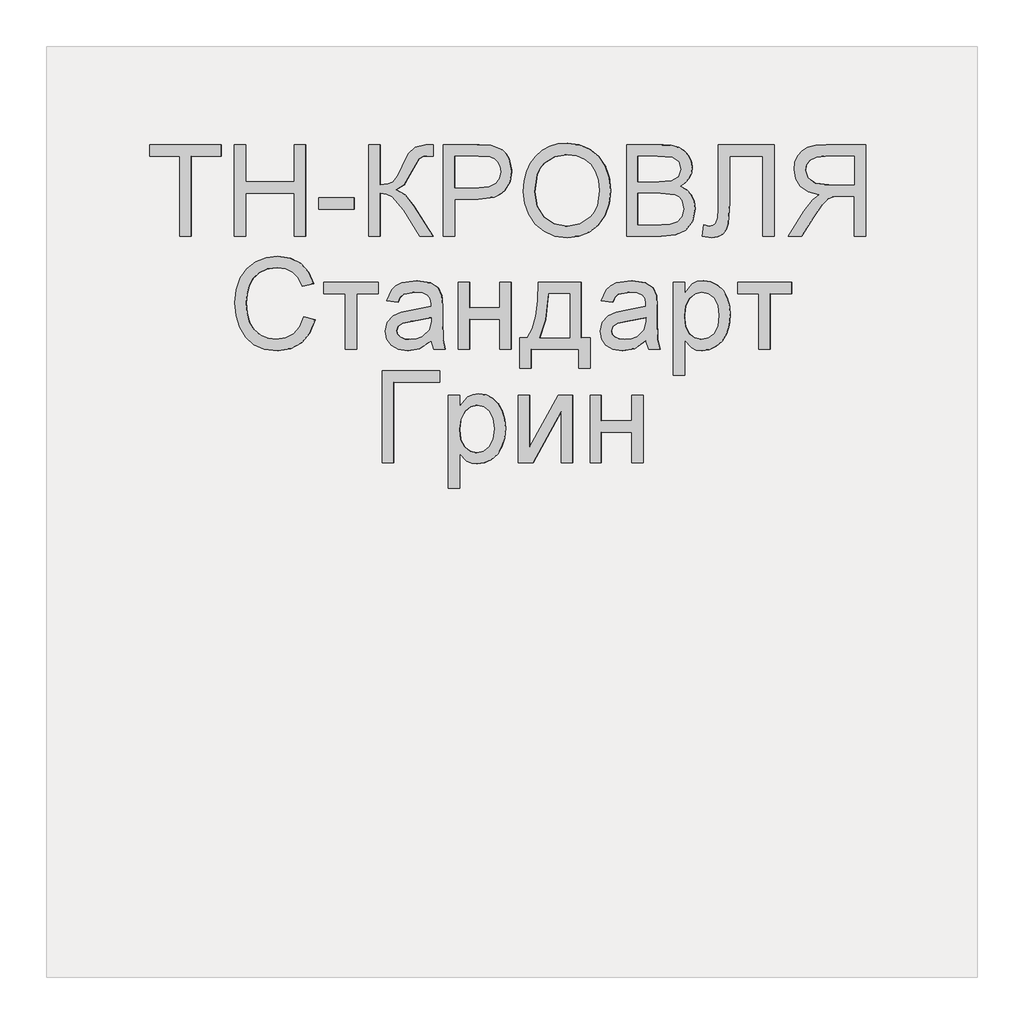
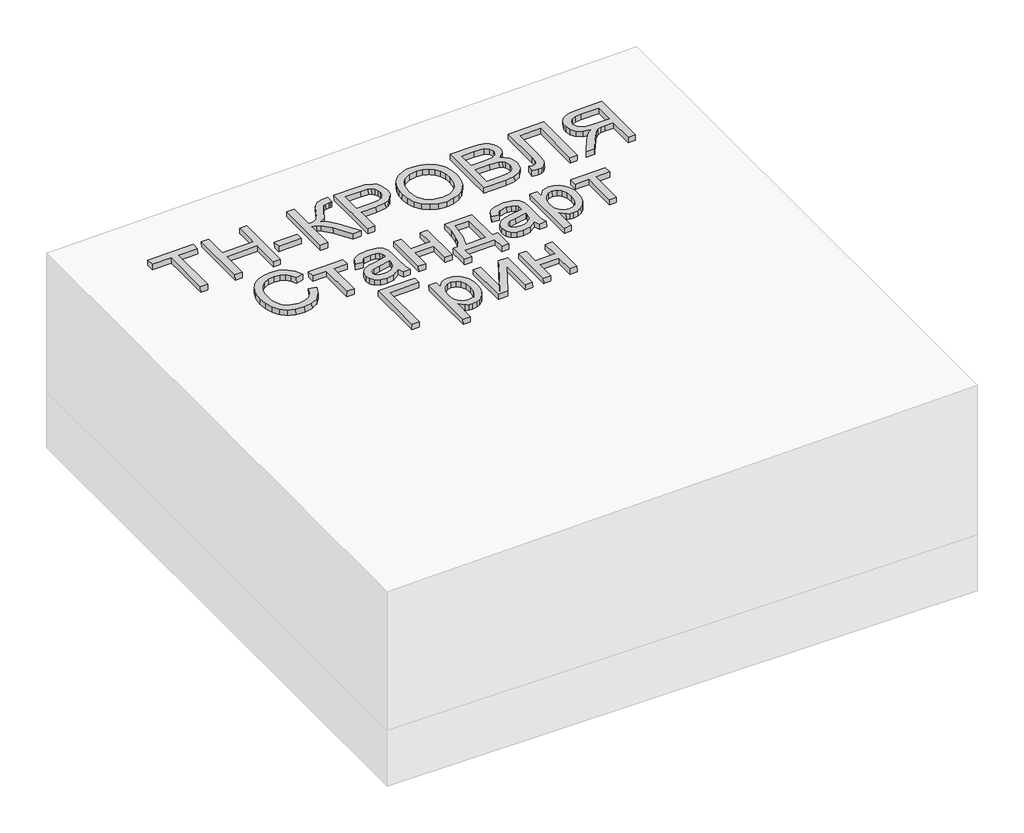
# One storey, part 3 of 3: 1 proxy.
"""IFC4 building model written with IfcOpenShell, lengths in millimetres."""

import ifcopenshell
import ifcopenshell.guid

model = None  # the IFC model being written
_history = None  # IfcOwnerHistory: only IFC2X3 demands one
_inside = {}  # id of a spatial element -> (the spatial element, [elements in it])
_under = {}  # id of a project, library or spatial element -> (it, [spatial elements below it])
_declared = {}  # id of a project -> (the project, [libraries it declares])
_typed = {}  # id of a type object -> (the type object, [elements of that type])
_made_of = {}  # id of a material, layer set ... -> (it, [elements and type objects made of it])


def new_model(schema):
    """Start an empty IFC model of exactly this schema.

    Asked for "IFC4X3", IfcOpenShell would pick the latest addendum, in which some entities
    have other attributes; the version numbers below select the first issue.
    IFC2X3 requires an IfcOwnerHistory on every rooted entity: one is made here for all.
    """
    global model, _history
    if schema == "IFC4X3":
        model = ifcopenshell.file(schema_version=(4, 3, 0, 0))
    else:
        model = ifcopenshell.file(schema=schema)
    _inside.clear()
    _under.clear()
    _declared.clear()
    _typed.clear()
    _made_of.clear()
    _history = None
    if model.schema == "IFC2X3":
        org = make("IfcOrganization", Name="unknown")
        user = make(
            "IfcPersonAndOrganization",
            ThePerson=make("IfcPerson", FamilyName="unknown"),
            TheOrganization=org,
        )
        app = make(
            "IfcApplication",
            ApplicationDeveloper=org,
            Version="unknown",
            ApplicationFullName="unknown",
            ApplicationIdentifier="unknown",
        )
        _history = make(
            "IfcOwnerHistory",
            OwningUser=user,
            OwningApplication=app,
            ChangeAction="ADDED",
            CreationDate=0,
        )
    return model


def make(cls, **values):
    """One entity of the class cls with the attributes given. An attribute that is None is left unset."""
    return model.create_entity(
        cls, **{name: value for name, value in values.items() if value is not None}
    )


def rooted(cls, **values):
    """An entity with a GlobalId (a new one), such as an element, a storey or a relation."""
    return make(cls, GlobalId=ifcopenshell.guid.new(), OwnerHistory=_history, **values)


def si_unit(unit_type, name, prefix=None):
    """IfcSIUnit, for example si_unit("LENGTHUNIT", "METRE", prefix="MILLI")."""
    return make("IfcSIUnit", UnitType=unit_type, Prefix=prefix, Name=name)


def assignment(units):
    """IfcUnitAssignment: the units of a project."""
    return None if units is None else make("IfcUnitAssignment", Units=units)


def point(xyz):
    """IfcCartesianPoint."""
    return None if xyz is None else make("IfcCartesianPoint", Coordinates=xyz)


def direction(xyz):
    """IfcDirection."""
    return None if xyz is None else make("IfcDirection", DirectionRatios=xyz)


def frame(location, z_axis=None, x_axis=None):
    """IfcAxis2Placement3D, a coordinate frame: its origin and axes. An axis left out is left unset."""
    return make(
        "IfcAxis2Placement3D",
        Location=point(location),
        Axis=direction(z_axis),
        RefDirection=direction(x_axis),
    )


def origin():
    """The frame at (0, 0, 0) with its axes left unset."""
    return frame((0.0, 0.0, 0.0))


def place(relative_to, where):
    """IfcLocalPlacement: puts the frame where relative to a parent placement (None: the world)."""
    return make(
        "IfcLocalPlacement", PlacementRelTo=relative_to, RelativePlacement=where
    )


def context(
    kind, dimensions, precision=None, world=None, true_north=None, identifier=None
):
    """IfcGeometricRepresentationContext, for example the 3D "Model" context."""
    return make(
        "IfcGeometricRepresentationContext",
        ContextIdentifier=identifier,
        ContextType=kind,
        CoordinateSpaceDimension=dimensions,
        Precision=precision,
        WorldCoordinateSystem=world,
        TrueNorth=true_north,
    )


def project(units=None, contexts=None):
    """IfcProject with its units and contexts."""
    return rooted(
        "IfcProject",
        Name="project",
        RepresentationContexts=contexts,
        UnitsInContext=assignment(units),
    )


def spatial(cls, under=None, at=None, **own):
    """A site, building, storey or space (cls), placed at a placement, below another one or the project."""
    s = rooted(cls, ObjectPlacement=at, **own)
    if under is not None:
        _under.setdefault(under.id(), (under, []))[1].append(s)
    return s


def polyline(points):
    """IfcPolyline through the points."""
    return make("IfcPolyline", Points=[point(p) for p in points])


def outline(outer, holes=None, kind="AREA"):
    """IfcArbitraryClosedProfileDef: a profile drawn as a closed curve; with holes, ...WithVoids."""
    if holes is None:
        return make("IfcArbitraryClosedProfileDef", ProfileType=kind, OuterCurve=outer)
    return make(
        "IfcArbitraryProfileDefWithVoids",
        ProfileType=kind,
        OuterCurve=outer,
        InnerCurves=holes,
    )


def extrude(swept, where, along, depth):
    """IfcExtrudedAreaSolid: the profile swept, set in the frame where, extruded along a direction by depth."""
    return make(
        "IfcExtrudedAreaSolid",
        SweptArea=swept,
        Position=where,
        ExtrudedDirection=direction(along),
        Depth=depth,
    )


def shape(context_of_items, identifier, shape_type, items):
    """IfcShapeRepresentation: the items that make up one representation, for example the "Body"."""
    return make(
        "IfcShapeRepresentation",
        ContextOfItems=context_of_items,
        RepresentationIdentifier=identifier,
        RepresentationType=shape_type,
        Items=items,
    )


def made_of(thing, what):
    """Note that an element or type object is made of a material, layer set ...; save() writes the relation."""
    if what is not None:
        _made_of.setdefault(what.id(), (what, []))[1].append(thing)
    return thing


def element(
    cls,
    number,
    at=None,
    inside=None,
    cuts=None,
    type_object=None,
    material=None,
    context=None,
    identifier="Body",
    shape_type=None,
    held_by="IfcProductDefinitionShape",
    body=None,
    shapes=None,
    **own,
):
    """One element of the class cls, such as IfcWall. Its Tag is "e" and its number.

    at: its placement. inside: the storey or other place that contains it. cuts: it is an
    opening in that element (IfcRelVoidsElement). A single representation is given by context,
    identifier, shape_type and body (its items); several are given by shapes. held_by: the class
    of the entity that holds the representations. save() writes the other relations.
    """
    e = rooted(cls, Tag="e%d" % number, ObjectPlacement=at, **own)
    if body is not None:
        shapes = [shape(context, identifier, shape_type, body)]
    if shapes is not None:
        e.Representation = make(held_by, Representations=shapes)
    if inside is not None:
        _inside.setdefault(inside.id(), (inside, []))[1].append(e)
    if cuts is not None:
        rooted(
            "IfcRelVoidsElement", RelatingBuildingElement=cuts, RelatedOpeningElement=e
        )
    if type_object is not None:
        _typed.setdefault(type_object.id(), (type_object, []))[1].append(e)
    return made_of(e, material)


def aggregate(whole, parts):
    """IfcRelAggregates: a whole, such as a stair, and the parts it consists of."""
    return rooted("IfcRelAggregates", RelatingObject=whole, RelatedObjects=parts)


def save(model, path):
    """Write the relations noted so far, then the file.

    IfcRelAggregates (storeys below a building ...), IfcRelContainedInSpatialStructure (elements
    in a storey), IfcRelDefinesByType, IfcRelAssociatesMaterial and IfcRelDeclares: one each for
    every whole, place, type object, material and project.
    """
    for whole, parts in _under.values():
        aggregate(whole, parts)
    for where, things in _inside.values():
        rooted(
            "IfcRelContainedInSpatialStructure",
            RelatedElements=things,
            RelatingStructure=where,
        )
    for kind, things in _typed.values():
        rooted("IfcRelDefinesByType", RelatedObjects=things, RelatingType=kind)
    for what, things in _made_of.values():
        rooted("IfcRelAssociatesMaterial", RelatedObjects=things, RelatingMaterial=what)
    for by, libraries in _declared.values():
        rooted("IfcRelDeclares", RelatingContext=by, RelatedDefinitions=libraries)
    model.write(path)


model = new_model("IFC4")

# Units and contexts
model_context = context("Model", 3, world=origin())
ifc_project = project(units=[si_unit("LENGTHUNIT", "METRE", prefix="MILLI")], contexts=[model_context])

# Site, building, storey
site = spatial("IfcSite", under=ifc_project)
building = spatial("IfcBuilding", under=site)
storey = spatial("IfcBuildingStorey", under=building, Elevation=0.0)

# Proxy
placement = place(None, origin())
element("IfcBuildingElementProxy", 1, Name="Generic Models", at=placement, inside=storey, context=model_context, shape_type="SweptSolid", body=[
    extrude(outline(polyline([(24.6153846, 0.0), (24.6153846, -172.3076923), (89.2307692, -172.3076923), (89.2307692, -196.9230769), (-64.6153846, -196.9230769), (-64.6153846, -172.3076923), (0.0, -172.3076923), (0.0, 0.0), (24.6153846, 0.0)])), frame((61017.7574939, -4710.2316754, 503.227238), z_axis=(-0.01999600119956399, 0.0, 0.9998000599800078), x_axis=(-0.9998000599800078, 0.0, -0.01999600119956399)), (0.0, 0.0, 1.0), 20.0),
    extrude(outline(polyline([(24.6153846, 0.0), (24.6153846, -196.9230769), (0.0, -196.9230769), (0.0, -116.9230769), (-104.6153846, -116.9230769), (-104.6153846, -196.9230769), (-129.2307692, -196.9230769), (-129.2307692, 0.0), (-104.6153846, 0.0), (-104.6153846, -92.3076923), (0.0, -92.3076923), (0.0, 0.0), (24.6153846, 0.0)])), frame((61134.6571932, -4710.2316754, 505.565232), z_axis=(-0.01999600119956399, 0.0, 0.9998000599800078), x_axis=(-0.9998000599800078, 0.0, -0.01999600119956399)), (0.0, 0.0, 1.0), 20.0),
    extrude(outline(polyline([(76.9230769, 0.0), (76.9230769, -24.6153846), (0.0, -24.6153846), (0.0, 0.0), (76.9230769, 0.0)])), frame((61368.4565918, -4651.7701369, 510.2412199), z_axis=(-0.01999600119956399, 0.0, 0.9998000599800078), x_axis=(-0.9998000599800078, 0.0, -0.01999600119956399)), (0.0, 0.0, 1.0), 20.0),
    extrude(outline(polyline([(196.9230769, 0.0), (196.9230769, -24.6153846), (110.7692308, -24.6153846), (112.3978365, -41.2800481), (117.2836538, -52.1394231), (128.7800481, -60.9194711), (150.2403846, -71.3461539), (177.7644231, -84.9278846), (191.3942308, -100.3125), (196.9230769, -122.3076923), (196.6346154, -138.4615385), (172.0192308, -138.4615385), (172.1634615, -133.0288462), (172.3076923, -127.5961539), (170.8293269, -116.3221153), (166.3942308, -108.3653846), (141.0576923, -93.75), (110.1923077, -76.3221153), (100.0, -59.3269231), (88.8701923, -78.329327), (65.6730769, -97.0673077), (0.0, -138.4615385), (0.0, -109.9038462), (55.4807692, -74.9038462), (84.4471154, -50.2644231), (90.3425481, -38.8882212), (92.3076923, -24.6153846), (0.0, -24.6153846), (0.0, 0.0), (196.9230769, 0.0)])), frame((61399.2196706, -4710.2316754, 510.8564815), z_axis=(-0.019996001199563986, 0.0, 0.9998000599800078), x_axis=(0.0, 1.0, 0.0)), (0.0, 0.0, 1.0), 20.0),
    extrude(outline(polyline([(24.6153846, 0.0), (24.6153846, -196.9230769), (-48.3653847, -196.9230769), (-77.7884615, -195.0480769), (-101.7067307, -185.8413461), (-110.4026442, -177.6802885), (-117.2115385, -166.8028846), (-123.0769231, -139.9519231), (-119.1165866, -116.7427885), (-107.235577, -97.4038461), (-97.7208534, -89.7896635), (-85.0180289, -84.3509615), (-50.0480769, -80.0), (0.0, -80.0), (0.0, 0.0), (24.6153846, 0.0)]), holes=[polyline([(0.0, -104.6153846), (-51.4903846, -104.6153846), (-73.3173078, -106.875), (-87.7403846, -113.6538461), (-95.78125, -124.53125), (-98.4615385, -139.0865385), (-96.8810096, -150.1442308), (-92.1394231, -159.4711538), (-84.8257212, -166.4903846), (-75.5288461, -170.625), (-50.9134615, -172.3076923), (0.0, -172.3076923), (0.0, -104.6153846)])]), frame((61583.7981432, -4710.2316754, 514.548051), z_axis=(-0.01999600119956399, 0.0, 0.9998000599800078), x_axis=(-0.9998000599800078, 0.0, -0.01999600119956399)), (0.0, 0.0, 1.0), 20.0),
    extrude(outline(polyline([(25.3428445, 0.0), (48.1160484, -4.1938573), (67.8912361, -11.3545773), (84.6684074, -21.48216), (98.4475626, -34.5766053), (108.9049086, -49.9093782), (115.7166524, -66.7519434), (118.8827941, -85.1043011), (118.4033337, -104.9664512), (112.3116986, -130.2760814), (100.0658902, -152.2136344), (82.4868293, -169.6009171), (60.3954366, -181.2597367), (34.812491, -187.0380147), (6.7587717, -186.7836729), (-21.0136463, -180.6528553), (-44.9882084, -168.8870737), (-63.9421568, -152.1247694), (-76.6527338, -131.0043835), (-83.1347827, -107.1750808), (-83.4031474, -82.2860261), (-77.165962, -56.5935492), (-64.600884, -34.5586152), (-46.7404789, -17.2511252), (-24.6173127, -5.740981), (0.0, 0.0), (25.3428445, 0.0)]), holes=[polyline([(22.3721769, -24.4366544), (-8.7890431, -25.9094147), (-33.7562618, -37.9787802), (-50.9832576, -58.3865327), (-58.9238091, -84.8744541), (-57.0179297, -112.8610054), (-44.5775814, -136.6179285), (-34.5460353, -146.3414541), (-22.1589797, -153.8699216), (9.6816594, -162.341683), (31.570013, -162.6815636), (50.9840871, -158.5364567), (67.4340475, -150.0149318), (80.43006, -137.2255581), (89.4380632, -121.0520253), (93.9239955, -102.3780231), (92.2935561, -75.5530127), (81.0850249, -51.6494364), (71.4163804, -41.5325654), (58.4080243, -33.6248113), (22.3721769, -24.4366544)])]), frame((61734.272859, -4639.5525889, 517.5575453), z_axis=(-0.01999600119956399, 0.0, 0.9998000599800079), x_axis=(-0.11095588221386109, 0.9938228553011974, -0.0022191176442732012)), (0.0, 0.0, 1.0), 20.0),
    extrude(outline(polyline([(74.5673077, 0.0), (74.5673077, -196.9230769), (-0.5769232, -196.9230769), (-21.2439904, -195.4747596), (-37.3798077, -191.1298077), (-49.7475962, -183.7800481), (-59.110577, -173.3173077), (-65.0060097, -161.0096154), (-66.9711539, -148.125), (-65.3185097, -136.2680288), (-60.360577, -125.1201923), (-52.0612981, -115.3665865), (-40.3846154, -107.6923077), (-54.3329327, -100.4086538), (-64.6394231, -89.3269231), (-71.0036059, -75.1802885), (-73.125, -58.7019231), (-67.3317308, -32.2355769), (-52.9807693, -13.3894231), (-31.5625, -3.3894231), (0.0, 0.0), (74.5673077, 0.0)]), holes=[polyline([(49.951923, -116.9230769), (5.0, -116.9230769), (-21.25, -119.0384615), (-37.0432692, -128.1490385), (-42.3557693, -144.1826923), (-37.4038462, -160.2403846), (-23.2211539, -169.7355769), (8.4134615, -172.3076923), (49.951923, -172.3076923), (49.951923, -116.9230769)]), polyline([(49.951923, -24.6153846), (-0.5288462, -24.6153846), (-18.798077, -25.5769231), (-34.2548077, -30.9375), (-44.4951924, -41.875), (-48.5096154, -58.4615385), (-43.798077, -77.5961538), (-37.626202, -84.5132211), (-28.5336539, -89.0144231), (1.875, -92.3076923), (49.951923, -92.3076923), (49.951923, -24.6153846)])]), frame((62027.5074871, -4710.2316754, 523.4222378), z_axis=(-0.019996001199563986, 0.0, 0.9998000599800078), x_axis=(-0.9998000599800078, 0.0, -0.019996001199563986)), (0.0, 0.0, 1.0), 20.0),
    extrude(outline(polyline([(137.6442308, 0.0), (137.6442308, -120.0), (-59.2788461, -120.0), (-59.2788461, -95.3846153), (113.0288462, -95.3846153), (113.0288462, -24.6153846), (12.548077, -24.6153846), (-32.2836538, -21.7548077), (-44.951923, -17.3257211), (-54.4471153, -9.7596153), (-60.3786057, 0.6009616), (-62.3557692, 13.4134616), (-59.2788461, 33.8461539), (-34.6634615, 30.7692308), (-37.7403846, 18.9903846), (-36.0877403, 10.6670674), (-31.1298076, 4.7355769), (-20.0420673, 1.1838943), (0.0, 0.0), (137.6442308, 0.0)])), frame((62149.8387926, -4650.9528293, 525.8688639), z_axis=(-0.019996001199563986, 0.0, 0.9998000599800078), x_axis=(0.0, 1.0, 0.0)), (0.0, 0.0, 1.0), 20.0),
    extrude(outline(polyline([(24.6153846, -110.7692308), (0.0, -110.7692308), (0.0, -24.6153847), (-29.7115385, -24.6153847), (-43.9903846, -25.4807693), (-55.6971154, -30.1682693), (-68.7019231, -42.9326923), (-87.2115385, -69.9519231), (-112.8365385, -110.7692308), (-141.4423077, -110.7692308), (-108.6057692, -57.4038462), (-88.6538462, -32.0673077), (-74.6634616, -21.5384616), (-98.9122596, -15.0120193), (-115.8894231, -3.2211539), (-125.8954327, 12.8605769), (-129.2307693, 32.2596153), (-127.2175481, 47.8545673), (-121.1778846, 62.0432692), (-111.766827, 73.4855769), (-99.6394231, 80.8413461), (-83.046875, 84.8257211), (-60.2403847, 86.1538461), (24.6153846, 86.1538461), (24.6153846, -110.7692308)]), holes=[polyline([(0.0, 0.0), (0.0, 61.5384615), (-61.2980769, 61.5384615), (-80.7752404, 59.4110577), (-94.2067308, 53.0288461), (-102.0132212, 43.3533653), (-104.6153846, 31.3461538), (-99.1586539, 14.639423), (-83.1971154, 3.4855769), (-55.0961539, 0.0), (0.0, 0.0)])]), frame((62442.0880409, -4599.4624446, 531.7138489), z_axis=(-0.019996001199563986, 0.0, 0.9998000599800078), x_axis=(0.9998000599800078, 0.0, 0.019996001199563986)), (0.0, 0.0, 1.0), 20.0),
    extrude(outline(polyline([(22.5354079, 0.0), (25.296308, -25.2699081), (-5.5506296, -24.7796777), (-31.452572, -15.5094536), (-51.7172012, 1.8643534), (-65.6521992, 26.665333), (-72.7161385, 54.5176714), (-71.6541095, 79.1565774), (-62.9869172, 101.0084672), (-47.2353669, 120.4997568), (-26.1873801, 136.7174456), (-1.6308787, 148.7485329), (26.2607092, 156.1677693), (52.5465361, 156.7492124), (76.3287427, 150.6419577), (96.7094699, 137.995101), (113.000055, 120.0196259), (124.5118356, 97.9265161), (130.46148, 71.3235406), (127.5854564, 46.3849145), (116.3008344, 24.0133528), (97.024684, 5.1115704), (82.8399673, 26.0666107), (96.6174416, 40.3925606), (104.0173216, 55.650124), (105.4046693, 72.1313636), (101.1445465, 90.1283425), (91.2118018, 108.9763123), (77.6877546, 122.4335433), (61.4947541, 130.4051578), (43.5551487, 132.796278), (25.0378535, 130.8321413), (7.1117836, 125.7379848), (-13.5055529, 115.9656325), (-29.9321499, 103.8061216), (-41.3909419, 89.3281159), (-47.1048631, 72.6002794), (-47.6221488, 54.9380281), (-43.4910345, 37.6567782), (-33.3749751, 19.5140243), (-18.757379, 6.7332198), (0.0, 0.0), (22.5354079, 0.0)])), frame((61251.2865139, -4904.3903293, 507.8978184), z_axis=(-0.01999600119956399, 0.0, 0.9998000599800079), x_axis=(0.35327287482616365, 0.9354936425344765, 0.0070654574965105)), (0.0, 0.0, 1.0), 20.0),
    extrude(outline(polyline([(24.6153846, 0.0), (24.6153846, -116.9230769), (0.0, -116.9230769), (0.0, -70.7692308), (-120.0, -70.7692308), (-120.0, -46.1538461), (0.0, -46.1538461), (0.0, 0.0), (24.6153846, 0.0)])), frame((61302.3159725, -4833.3085985, 508.9184075), z_axis=(-0.019996001199563986, 0.0, 0.9998000599800078), x_axis=(0.0, 1.0, 0.0)), (0.0, 0.0, 1.0), 20.0),
    extrude(outline(polyline([(19.4601702, -1e-07), (11.1819963, 27.9207832), (14.9143961, 54.4732733), (24.1902839, 73.0649574), (37.3011934, 84.6897486), (52.8826325, 89.3590492), (69.5701086, 87.0842617), (86.5521477, 76.4571844), (96.0465823, 60.2429097), (98.2586564, 41.3376585), (95.0355657, 19.9618777), (89.5623928, -23.2153749), (94.7162973, -25.0853757), (105.6740454, -26.9515756), (114.1004512, -24.4012291), (122.7587066, -15.3020791), (129.4557417, -0.8361792), (132.8384667, 24.2872046), (128.8153045, 32.9891694), (120.6530554, 40.8663574), (131.3561489, 63.2455532), (150.7935143, 45.5413592), (155.5977439, 34.3745663), (157.376525, 20.7448455), (151.8045309, -11.6304924), (138.2204199, -38.5478606), (122.4698447, -51.0601419), (104.2335367, -52.9377443), (83.4202766, -47.2669291), (54.3668506, -37.5824538), (13.4016719, -25.2450098), (-7.7840681, -23.3522042), (0.0, 0.0), (19.4601702, -1e-07)]), holes=[polyline([(66.1645787, -15.5681362), (71.5617354, 24.4924486), (74.4731593, 45.8454244), (71.3488898, 56.9970142), (63.4279923, 63.1847402), (55.9042801, 63.7605636), (48.4755881, 60.4405521), (41.8184615, 53.1258846), (36.6094453, 41.7177398), (33.8253486, 28.7094523), (34.3213549, 16.2294779), (42.7667647, -3.5119526), (59.5967713, -13.2268344), (66.1645787, -15.5681362)])]), frame((61539.191679, -4953.3085985, 513.6559217), z_axis=(-0.01999600119956399, 0.0, 0.9998000599800078), x_axis=(-0.31616453943106115, 0.9486832980504862, -0.0063232907886097795)), (0.0, 0.0, 1.0), 20.0),
    extrude(outline(polyline([(144.6153846, 0.0), (144.6153846, -24.6153846), (89.2307692, -24.6153846), (89.2307692, -89.2307692), (144.6153846, -89.2307692), (144.6153846, -113.8461539), (0.0, -113.8461539), (0.0, -89.2307692), (64.6153846, -89.2307692), (64.6153846, -24.6153846), (0.0, -24.6153846), (0.0, 0.0), (144.6153846, 0.0)])), frame((61591.4889129, -4953.3085985, 514.7018664), z_axis=(-0.019996001199563986, 0.0, 0.9998000599800078), x_axis=(0.0, 1.0, 0.0)), (0.0, 0.0, 1.0), 20.0),
    extrude(outline(polyline([(39.8055302, 0.0), (42.4115803, -92.2708977), (-77.5405867, -95.6587629), (-77.0193766, -114.1129424), (-141.609005, -115.9371775), (-142.3039517, -91.3316048), (-102.319896, -90.2023164), (-105.1865512, 11.2956711), (-145.1706069, 10.1663827), (-145.8655536, 34.7719554), (-81.2759252, 36.5961905), (-80.8415835, 21.2177075), (-60.3235569, 10.6088538), (-33.3763624, 3.5362846), (0.0, 0.0), (39.8055302, 0.0)]), holes=[polyline([(15.8080359, -22.2248229), (-40.4142184, -18.041203), (-80.0597685, -6.4635618), (-78.2355334, -71.0531902), (17.1110609, -68.3602717), (15.8080359, -22.2248229)])]), frame((61762.6385806, -4848.4828773, 518.1248597), z_axis=(-0.019996001199563983, 0.0, 0.9998000599800078), x_axis=(0.028226564925627008, 0.9996013917241774, 0.0005645312985115256)), (0.0, 0.0, 1.0), 20.0),
    extrude(outline(polyline([(19.4601702, -1e-07), (11.1819963, 27.9207832), (14.9143961, 54.4732733), (24.1902839, 73.0649574), (37.3011934, 84.6897486), (52.8826325, 89.3590492), (69.5701086, 87.0842617), (86.5521477, 76.4571843), (96.0465823, 60.2429097), (98.2586563, 41.3376584), (95.0355657, 19.9618776), (89.5623927, -23.215375), (94.7162973, -25.0853757), (105.6740454, -26.9515756), (114.1004512, -24.4012291), (122.7587066, -15.3020791), (129.4557417, -0.8361792), (132.8384667, 24.2872046), (128.8153045, 32.9891693), (120.6530554, 40.8663574), (131.3561489, 63.2455532), (150.7935143, 45.5413592), (155.5977438, 34.3745662), (157.376525, 20.7448455), (151.8045309, -11.6304924), (138.2204199, -38.5478606), (122.4698447, -51.060142), (104.2335367, -52.9377443), (83.4202766, -47.2669291), (54.3668506, -37.5824538), (13.4016719, -25.2450099), (-7.7840681, -23.3522043), (0.0, 0.0), (19.4601702, -1e-07)]), holes=[polyline([(66.1645787, -15.5681362), (71.5617354, 24.4924486), (74.4731593, 45.8454244), (71.3488897, 56.9970141), (63.4279923, 63.1847402), (55.90428, 63.7605635), (48.4755881, 60.4405521), (41.8184615, 53.1258846), (36.6094453, 41.7177398), (33.8253486, 28.7094523), (34.3213549, 16.2294778), (42.7667647, -3.5119526), (59.5967713, -13.2268345), (66.1645787, -15.5681362)])]), frame((62000.6378605, -4953.3085985, 522.8848453), z_axis=(-0.01999600119956399, 0.0, 0.9998000599800079), x_axis=(-0.31616453943106126, 0.9486832980504862, -0.006323290788609781)), (0.0, 0.0, 1.0), 20.0),
    extrude(outline(polyline([(24.6153847, 0.0), (24.6153847, -200.0), (0.0, -200.0), (0.0, -175.8653846), (-17.0192307, -196.2740385), (-27.5, -201.376202), (-40.0, -203.0769231), (-56.6466345, -200.6971154), (-71.201923, -193.5576923), (-83.0528846, -182.0913462), (-91.5865384, -166.7307693), (-96.7427885, -148.59375), (-98.4615384, -128.798077), (-96.5204327, -107.7463943), (-90.6971154, -88.9182693), (-81.1778846, -73.2692308), (-68.1490384, -61.7548077), (-52.9747596, -54.6694712), (-37.0192307, -52.3076923), (-25.703125, -53.8882212), (-15.6009615, -58.6298077), (0.0, -74.6153846), (0.0, 0.0), (24.6153847, 0.0)]), holes=[polyline([(0.0, -126.5384616), (-2.6622596, -104.4711539), (-10.6490385, -89.0384616), (-22.4338942, -79.9519231), (-36.4903846, -76.923077), (-50.7752403, -80.0600962), (-62.8605768, -89.4711539), (-71.0997596, -105.46875), (-73.8461538, -128.3653846), (-71.1658653, -150.3125), (-63.1249999, -165.9615385), (-51.3581731, -175.3365385), (-37.5, -178.4615385), (-23.5877403, -175.1382212), (-11.3701923, -165.1682693), (-2.842548, -148.8641827), (0.0, -126.5384616)])]), frame((62077.5455575, -5008.6932139, 524.4229992), z_axis=(-0.01999600119956399, 0.0, 0.9998000599800078), x_axis=(-0.9998000599800078, 0.0, -0.01999600119956399)), (0.0, 0.0, 1.0), 20.0),
    extrude(outline(polyline([(24.6153846, 0.0), (24.6153846, -116.9230769), (0.0, -116.9230769), (0.0, -70.7692308), (-120.0, -70.7692308), (-120.0, -46.1538462), (0.0, -46.1538462), (0.0, 0.0), (24.6153846, 0.0)])), frame((62191.3689489, -4833.3085985, 526.6994671), z_axis=(-0.019996001199563986, 0.0, 0.9998000599800078), x_axis=(0.0, 1.0, 0.0)), (0.0, 0.0, 1.0), 20.0),
    extrude(outline(polyline([(196.923077, 0.0), (196.923077, -123.0769231), (172.3076923, -123.0769231), (172.3076923, -24.6153847), (0.0, -24.6153847), (0.0, 0.0), (196.923077, 0.0)])), frame((61428.4445954, -5196.3855216, 511.44098), z_axis=(-0.019996001199563986, 0.0, 0.9998000599800078), x_axis=(0.0, 1.0, 0.0)), (0.0, 0.0, 1.0), 20.0),
    extrude(outline(polyline([(24.6153846, 0.0), (24.6153846, -200.0), (0.0, -200.0), (0.0, -175.8653846), (-17.0192307, -196.2740384), (-27.4999999, -201.3762019), (-40.0, -203.076923), (-56.6466346, -200.6971153), (-71.2019231, -193.5576923), (-83.0528846, -182.0913461), (-91.5865384, -166.7307692), (-96.7427885, -148.59375), (-98.4615385, -128.7980769), (-96.5204327, -107.7463942), (-90.6971154, -88.9182692), (-81.1778846, -73.2692307), (-68.1490384, -61.7548076), (-52.9747596, -54.6694711), (-37.0192307, -52.3076923), (-25.703125, -53.8882211), (-15.6009616, -58.6298076), (0.0, -74.6153846), (0.0, 0.0), (24.6153846, 0.0)]), holes=[polyline([(0.0, -126.5384615), (-2.6622596, -104.4711538), (-10.6490385, -89.0384615), (-22.4338942, -79.951923), (-36.4903846, -76.9230769), (-50.7752404, -80.0600961), (-62.8605769, -89.4711538), (-71.0997596, -105.46875), (-73.8461538, -128.3653846), (-71.1658654, -150.3125), (-63.125, -165.9615384), (-51.3581731, -175.3365384), (-37.5, -178.4615384), (-23.5877403, -175.1382211), (-11.3701923, -165.1682692), (-2.842548, -148.8641826), (0.0, -126.5384615)])]), frame((61594.5652208, -5251.7701369, 514.7633925), z_axis=(-0.01999600119956399, 0.0, 0.9998000599800078), x_axis=(-0.9998000599800078, 0.0, -0.01999600119956399)), (0.0, 0.0, 1.0), 20.0),
    extrude(outline(polyline([(144.6153847, 0.0), (144.6153847, -24.6153847), (34.3269231, -24.6153847), (144.6153847, -85.0961539), (144.6153847, -116.923077), (0.0, -116.923077), (0.0, -92.3076923), (109.6153847, -92.3076923), (0.0, -32.2115385), (0.0, 0.0), (144.6153847, 0.0)])), frame((61720.6938437, -5196.3855216, 517.285965), z_axis=(-0.019996001199563986, 0.0, 0.9998000599800078), x_axis=(0.0, 1.0, 0.0)), (0.0, 0.0, 1.0), 20.0),
    extrude(outline(polyline([(144.6153847, 0.0), (144.6153847, -24.6153846), (89.2307693, -24.6153846), (89.2307693, -89.2307692), (144.6153847, -89.2307692), (144.6153847, -113.8461538), (0.0, -113.8461538), (0.0, -89.2307692), (64.6153847, -89.2307692), (64.6153847, -24.6153846), (0.0, -24.6153846), (0.0, 0.0), (144.6153847, 0.0)])), frame((61874.5092376, -5196.3855216, 520.3622728), z_axis=(-0.019996001199563986, 0.0, 0.9998000599800078), x_axis=(0.0, 1.0, 0.0)), (0.0, 0.0, 1.0), 20.0),
])

save(model, "model.ifc")
